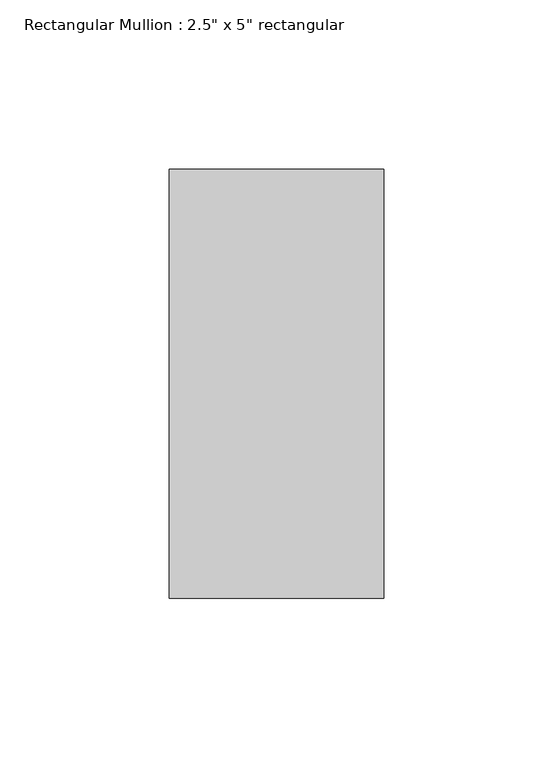
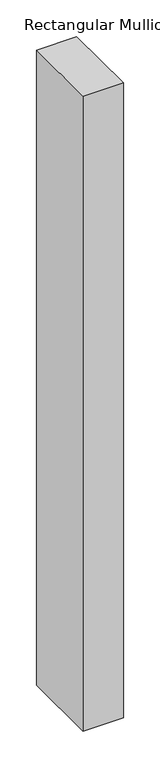
"""IFC4 building model written with IfcOpenShell, lengths in millimetres: member geometry."""

from ifc_helpers import new_model, si_unit, frame, origin, place, context, project, spatial, polyline, outline, extrude, source, transform, mapped, element, save


def member_8d3b1280(model_context):
    return source(origin(), model_context, "Body", "SweptSolid", [
        extrude(outline(polyline([(0.0, 63.5), (0.0, -63.5), (-63.5, -63.5), (-63.5, 63.5), (0.0, 63.5)])), frame((0.0, 0.0, -1057.275), z_axis=(0.0, 0.0, 1.0), x_axis=(1.0, 0.0, 0.0)), (0.0, 0.0, 1.0), 1057.275),
    ])


if __name__ == "__main__":
    model = new_model("IFC4")
    model_context = context("Model", 3, world=origin())
    ifc_project = project(units=[si_unit("LENGTHUNIT", "METRE", prefix="MILLI")], contexts=[model_context])
    site = spatial("IfcSite", under=ifc_project)
    building = spatial("IfcBuilding", under=site)
    placement = place(None, origin())
    member_shape = member_8d3b1280(model_context)
    element("IfcMember", 1, ObjectType="Rectangular Mullion : 2.5\" x 5\" rectangular", at=placement, inside=building, context=model_context, shape_type="MappedRepresentation", body=[
        mapped(member_shape, transform((0.0, 0.0, 0.0), x_axis=(1.0, 0.0, 0.0), y_axis=(0.0, 1.0, 0.0), z_axis=(0.0, 0.0, 1.0))),
    ])
    save(model, "model.ifc")
